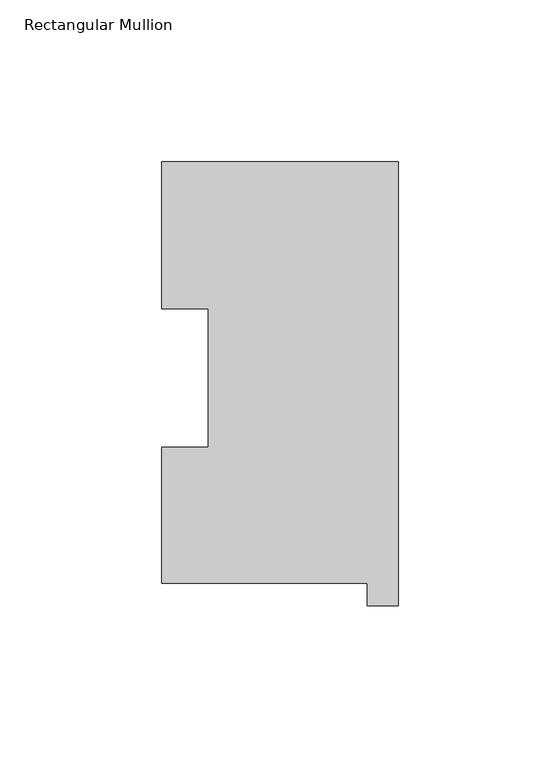
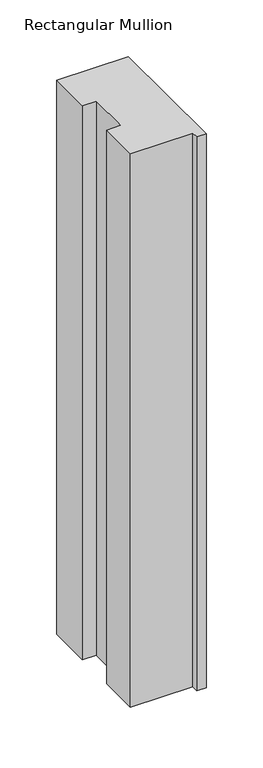
"""IFC4 building model written with IfcOpenShell, lengths in millimetres: member geometry, Rectangular Mullion."""

from ifc_helpers import new_model, si_unit, frame, origin, place, context, project, spatial, polyline, outline, extrude, source, transform, mapped, element, save


def rectangular_mullion_bc2ce9fe(model_context):
    return source(origin(), model_context, "Body", "SweptSolid", [
        extrude(outline(polyline([(-9.525, 0.04445), (-73.025, 0.04445), (-73.025, 42.08145), (-58.7502, 42.08145), (-58.7502, 84.93125), (-73.025, 84.93125), (-73.025, 130.34645), (0.0, 130.34645), (0.0, -6.86435), (-9.525, -6.86435), (-9.525, 0.04445)])), frame((0.0, 0.0, -596.6902418), z_axis=(0.0, 0.0, 1.0), x_axis=(1.0, 0.0, 0.0)), (0.0, 0.0, 1.0), 596.6902418),
    ])


if __name__ == "__main__":
    model = new_model("IFC4")
    model_context = context("Model", 3, world=origin())
    ifc_project = project(units=[si_unit("LENGTHUNIT", "METRE", prefix="MILLI")], contexts=[model_context])
    site = spatial("IfcSite", under=ifc_project)
    building = spatial("IfcBuilding", under=site)
    placement = place(None, origin())
    rectangular_mullion_shape = rectangular_mullion_bc2ce9fe(model_context)
    element("IfcMember", 1, ObjectType="Rectangular Mullion", at=placement, inside=building, context=model_context, shape_type="MappedRepresentation", body=[
        mapped(rectangular_mullion_shape, transform((0.0, 0.0, 0.0), x_axis=(1.0, 0.0, 0.0), y_axis=(0.0, 1.0, 0.0), z_axis=(0.0, 0.0, 1.0))),
    ])
    save(model, "model.ifc")
